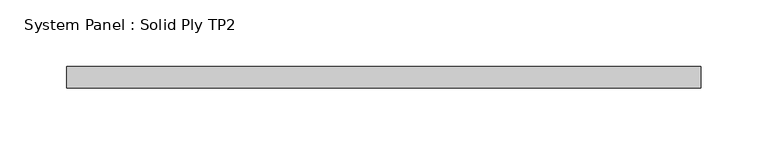
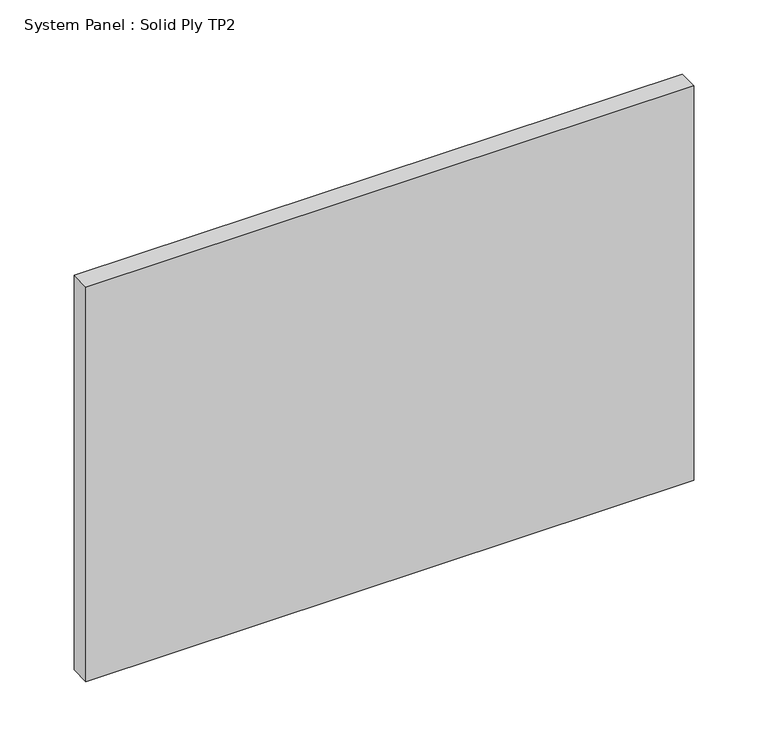
"""IFC4 building model written with IfcOpenShell, lengths in millimetres: plate geometry, System Panel : Solid Ply TP2."""

from ifc_helpers import new_model, si_unit, origin, origin_with_axes, place, context, project, spatial, polyline, outline, extrude, source, transform, mapped, element, save


def system_panel_solid_ply_tp2_ccb5f8bf(model_context):
    return source(origin(), model_context, "Body", "SweptSolid", [
        extrude(outline(polyline([(237.0, -23.0), (-237.0, -23.0), (-237.0, -7.0), (237.0, -7.0), (237.0, -23.0)])), origin_with_axes(), (0.0, 0.0, 1.0), 325.0),
    ])


if __name__ == "__main__":
    model = new_model("IFC4")
    model_context = context("Model", 3, world=origin())
    ifc_project = project(units=[si_unit("LENGTHUNIT", "METRE", prefix="MILLI")], contexts=[model_context])
    site = spatial("IfcSite", under=ifc_project)
    building = spatial("IfcBuilding", under=site)
    placement = place(None, origin())
    system_panel_solid_ply_tp2_shape = system_panel_solid_ply_tp2_ccb5f8bf(model_context)
    element("IfcPlate", 1, ObjectType="System Panel : Solid Ply TP2", at=placement, inside=building, context=model_context, shape_type="MappedRepresentation", body=[
        mapped(system_panel_solid_ply_tp2_shape, transform((0.0, 0.0, 0.0), x_axis=(1.0, 0.0, 0.0), y_axis=(0.0, 1.0, 0.0), z_axis=(0.0, 0.0, 1.0))),
    ])
    save(model, "model.ifc")
